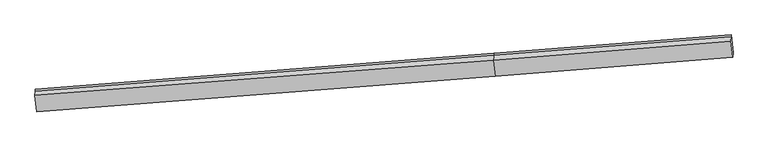
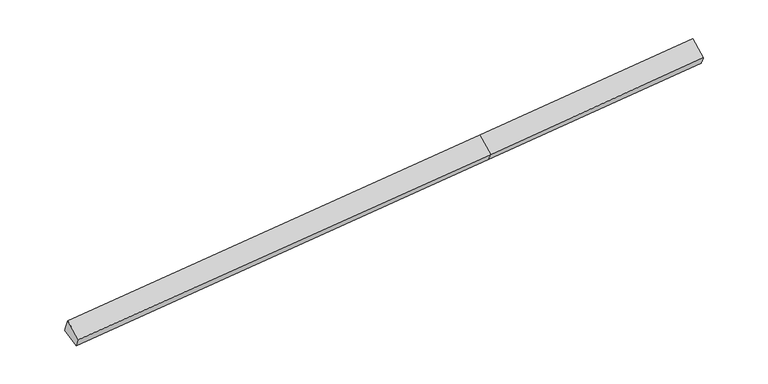
"""IFC4 building model written with IfcOpenShell, lengths in millimetres: proxy geometry."""

from ifc_helpers import new_model, si_unit, frame, origin, place, context, project, spatial, source, transform, mapped, element, save
from ifc_brep_helpers import plane_surface, spline_surface, advanced_brep


def generic_models_1d177d53(model_context):
    return source(origin(), model_context, "Body", "AdvancedBrep", [
        advanced_brep(
        [(-13657.3755552, -2423.0616089, 1060.9147758), (-13663.2748792, -2499.0163714, 1259.6007711), (2578.9467074, -1227.976232, 2217.4176376), (2584.5783105, -1155.468421, 2027.7483378), (-13591.6621835, -3069.762542, 815.6415689), (2650.2916821, -1802.169354, 1782.4751309), (-13600.0011488, -3220.1000234, 1153.1431505), (2644.59454, -1972.207854, 2101.8138207), (-13671.4298059, -2646.9843254, 1590.904033), (2573.165883, -1399.092156, 2539.5747033), (11057.0948838, -1291.8917873, 2590.250304), (11063.027755, -1140.3042065, 2291.2972932), (10997.4519303, -502.5753193, 2546.100448), (10992.0398061, -572.2573033, 2728.3778183), (10985.6662268, -718.7760893, 3028.0111866)],
        [
            (0, 1),
            (1, 2),
            (2, 3),
            (3, 0),
            (4, 0),
            (0, 5),
            (5, 4),
            (6, 4),
            (5, 7),
            (7, 6),
            (8, 6),
            (7, 9),
            (9, 8),
            (1, 8),
            (9, 2),
            (10, 11),
            (11, 12),
            (12, 13),
            (13, 14),
            (14, 10),
            (3, 5),
            (5, 11),
            (10, 7),
            (3, 12),
            (2, 13),
            (9, 14),
        ],
        [
            plane_surface(frame((-13660.3252172, -2461.0389901, 1160.2577735), z_axis=(-0.09366882678980226, 0.9308906061617659, 0.3530847352231506), x_axis=(-0.02772354683382134, -0.35694520128957774, 0.9337138363692036))),
            plane_surface(frame((-13624.5188694, -2746.4120755, 938.2781723), z_axis=(0.027723546833819945, 0.35694520128957763, -0.9337138363692037), x_axis=(-0.0945835086595858, 0.9308188240989627, 0.3530301355304765))),
            spline_surface(1, 1, [[(-13600.0011488, -3220.1000234, 1153.1431505), (2644.59454, -1972.207854, 2101.8138207)], [(-13591.6621835, -3069.762542, 815.6415689), (2650.2916821, -1802.169354, 1782.4751309)]], [2, 2], [2, 2], [0.0, 1.0], [0.0, 1.0]),
            plane_surface(frame((-13635.7154773, -2933.5421744, 1372.0235918), z_axis=(0.000218168706803884, -0.6069917899330318, 0.7947080717825318), x_axis=(0.09856230494379839, -0.7908255106627378, -0.604053378211881))),
            spline_surface(1, 1, [[(-13663.2748792, -2499.0163714, 1259.6007711), (2578.9467074, -1227.976232, 2217.4176376)], [(-13671.4298059, -2646.9843254, 1590.904033), (2573.165883, -1399.092156, 2539.5747033)]], [2, 2], [2, 2], [0.0, 1.0], [0.0, 1.0]),
            plane_surface(frame((11019.0561204, -845.1609412, 2636.80741), z_axis=(0.9951308280023263, 0.07852668323167498, 0.05956672880087398), x_axis=(0.017697302635733776, 0.4521742044277064, -0.8917540548433689))),
            plane_surface(frame((-13636.7487145, -2771.7849742, 1176.0408599), z_axis=(-0.9951308280023263, -0.07852668323167432, -0.05956672880087487), x_axis=(0.02772354683381538, 0.35694520128957724, -0.9337138363692039))),
            plane_surface(frame((-13657.3755552, -2423.0616089, 1060.9147758), z_axis=(0.0277235468338204, 0.35694520128956925, -0.9337138363692068), x_axis=(-0.09458350865958512, 0.9308188240989659, 0.3530301355304682))),
            spline_surface(1, 1, [[(2644.59454, -1972.207854, 2101.8138207), (11057.0948838, -1291.8917873, 2590.250304)], [(2650.2916821, -1802.169354, 1782.4751309), (11063.027755, -1140.3042065, 2291.2972932)]], [2, 2], [2, 2], [0.0, 1.0], [0.0, 1.0]),
            spline_surface(1, 1, [[(2650.2916821, -1802.169354, 1782.4751309), (11063.027755, -1140.3042065, 2291.2972932)], [(2584.5783105, -1155.468421, 2027.7483378), (10997.4519303, -502.5753193, 2546.100448)]], [2, 2], [2, 2], [0.0, 1.0], [0.0, 1.0]),
            plane_surface(frame((2581.7625089, -1191.7223265, 2122.5829877), z_axis=(-0.09399493991317177, 0.9308651044949464, 0.3530653034557937), x_axis=(-0.027723546833820736, -0.35694520128957646, 0.933713836369204))),
            spline_surface(1, 1, [[(2578.9467074, -1227.976232, 2217.4176376), (10992.0398061, -572.2573033, 2728.3778183)], [(2573.165883, -1399.092156, 2539.5747033), (10985.6662268, -718.7760893, 3028.0111866)]], [2, 2], [2, 2], [0.0, 1.0], [0.0, 1.0]),
            plane_surface(frame((2608.8802115, -1685.650005, 2320.694262), z_axis=(0.0029192027385301356, -0.606776593778664, 0.7948670602671455), x_axis=(0.09856230494380129, -0.7908255106627374, -0.6040533782118811))),
        ],
        [
            (0, [[1, 2, 3, 4]]),
            (1, [[5, 6, 7]]),
            (2, [[8, -7, 9, 10]]),
            (3, [[11, -10, 12, 13]]),
            (4, [[14, -13, 15, -2]]),
            (5, [[16, 17, 18, 19, 20]]),
            (6, [[-1, -5, -8, -11, -14]]),
            (7, [[21, -6, -4]]),
            (8, [[-9, 22, -16, 23]]),
            (9, [[-21, 24, -17, -22]]),
            (10, [[-3, 25, -18, -24]]),
            (11, [[-15, 26, -19, -25]]),
            (12, [[-12, -23, -20, -26]]),
        ],
    ),
    ])


if __name__ == "__main__":
    model = new_model("IFC4")
    model_context = context("Model", 3, world=origin())
    ifc_project = project(units=[si_unit("LENGTHUNIT", "METRE", prefix="MILLI")], contexts=[model_context])
    site = spatial("IfcSite", under=ifc_project)
    building = spatial("IfcBuilding", under=site)
    placement = place(None, origin())
    generic_models_shape = generic_models_1d177d53(model_context)
    element("IfcBuildingElementProxy", 1, Name="Generic Models", at=placement, inside=building, context=model_context, shape_type="MappedRepresentation", body=[
        mapped(generic_models_shape, transform((0.0, 0.0, 0.0), x_axis=(1.0, 0.0, 0.0), y_axis=(0.0, 1.0, 0.0), z_axis=(0.0, 0.0, 1.0))),
    ])
    save(model, "model.ifc")
